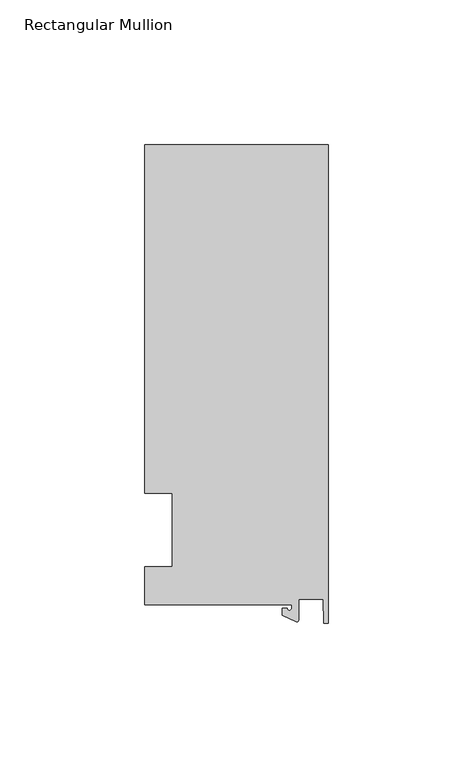
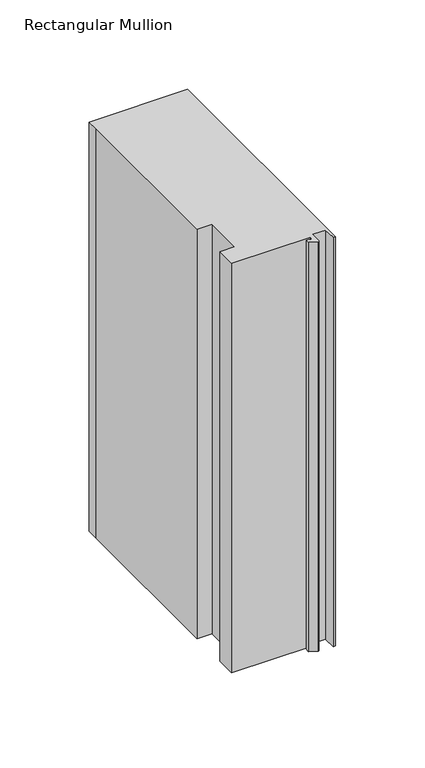
"""IFC4 building model written with IfcOpenShell, lengths in millimetres: member geometry, Rectangular Mullion."""

from ifc_helpers import new_model, si_unit, point, frame, frame_2d, origin, place, context, project, spatial, polyline, circle_curve, trimmed, segment, composite_curve, outline, extrude, source, transform, mapped, element, save


def rectangular_mullion_1e08528a(model_context):
    return source(origin(), model_context, "Body", "SweptSolid", [
        extrude(outline(composite_curve([segment(polyline([(-12.6173814, -25.796875), (-63.5, -25.796875), (-63.5, -12.7), (-53.975, -12.7), (-53.975, 12.7), (-63.5, 12.7), (-63.5, 125.8114907), (-63.5, 133.34365), (0.0, 133.34365), (0.0, -32.288874), (-1.5658966, -32.288874), (-1.7144124, -23.9227662), (-10.2297814, -23.9227662), (-10.2297814, -31.2414327)]), True, "CONTINUOUS"), segment(trimmed(circle_curve(frame_2d((-10.7377814, -31.2414327)), 0.508), [point((-10.2297814, -31.2414327))], [point((-10.9524715, -31.7018371))], False, "CARTESIAN"), True, "CONTINUOUS"), segment(polyline([(-10.9524715, -31.7018371), (-15.7923814, -29.44495), (-15.7923814, -27.0827507), (-14.2048814, -27.0827507)]), True, "CONTINUOUS"), segment(trimmed(circle_curve(frame_2d((-13.4111314, -27.0827507)), 0.79375), [point((-14.2048814, -27.0827507))], [point((-12.6173814, -27.0827507))], True, "CARTESIAN"), True, "CONTINUOUS"), segment(polyline([(-12.6173814, -27.0827507), (-12.6173814, -25.796875)]), True, "CONTINUOUS")], self_intersect=False)), frame((0.0, 0.0, -279.4), z_axis=(0.0, 0.0, 1.0), x_axis=(1.0, 0.0, 0.0)), (0.0, 0.0, 1.0), 279.4),
    ])


if __name__ == "__main__":
    model = new_model("IFC4")
    model_context = context("Model", 3, world=origin())
    ifc_project = project(units=[si_unit("LENGTHUNIT", "METRE", prefix="MILLI")], contexts=[model_context])
    site = spatial("IfcSite", under=ifc_project)
    building = spatial("IfcBuilding", under=site)
    placement = place(None, origin())
    rectangular_mullion_shape = rectangular_mullion_1e08528a(model_context)
    element("IfcMember", 1, ObjectType="Rectangular Mullion", at=placement, inside=building, context=model_context, shape_type="MappedRepresentation", body=[
        mapped(rectangular_mullion_shape, transform((0.0, 0.0, 0.0), x_axis=(1.0, 0.0, 0.0), y_axis=(0.0, 1.0, 0.0), z_axis=(0.0, 0.0, 1.0))),
    ])
    save(model, "model.ifc")
